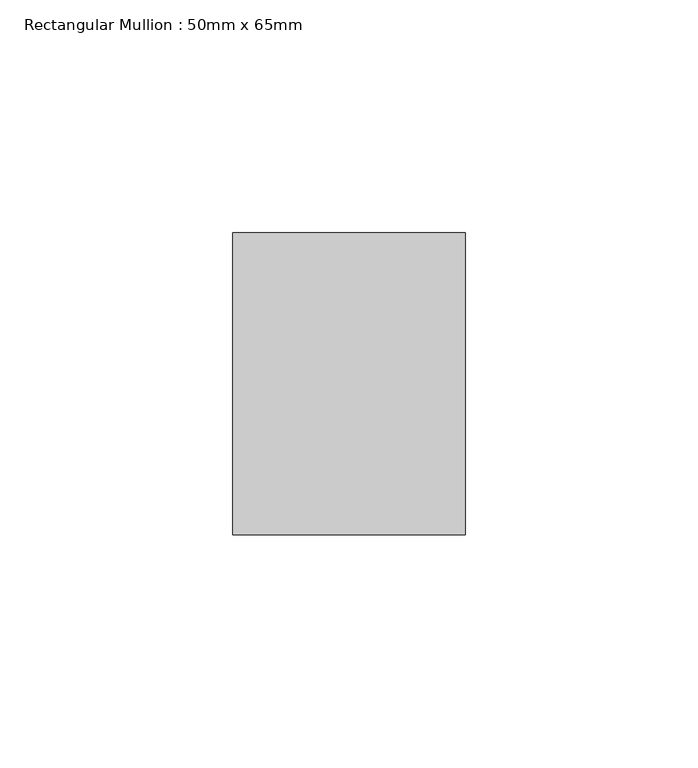
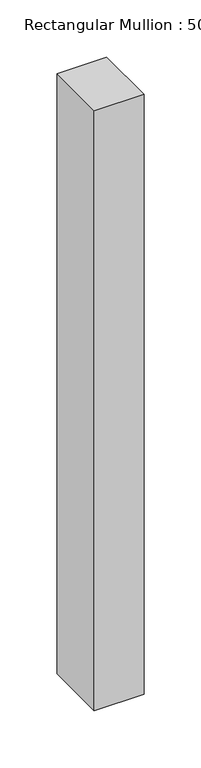
"""IFC4 building model written with IfcOpenShell, lengths in millimetres: member geometry, Rectangular Mullion : 50mm x 65mm."""

from ifc_helpers import new_model, si_unit, frame, origin, place, context, project, spatial, polyline, outline, extrude, source, transform, mapped, element, save


def rectangular_mullion_50mm_x_65mm_cb0090a1(model_context):
    return source(origin(), model_context, "Body", "SweptSolid", [
        extrude(outline(polyline([(25.0, 32.5), (25.0, -32.5), (-25.0, -32.5), (-25.0, 32.5), (25.0, 32.5)])), frame((0.0, 0.0, -639.7125931), z_axis=(0.0, 0.0, 1.0), x_axis=(1.0, 0.0, 0.0)), (0.0, 0.0, 1.0), 639.7125931),
    ])


if __name__ == "__main__":
    model = new_model("IFC4")
    model_context = context("Model", 3, world=origin())
    ifc_project = project(units=[si_unit("LENGTHUNIT", "METRE", prefix="MILLI")], contexts=[model_context])
    site = spatial("IfcSite", under=ifc_project)
    building = spatial("IfcBuilding", under=site)
    placement = place(None, origin())
    rectangular_mullion_50mm_x_65mm_shape = rectangular_mullion_50mm_x_65mm_cb0090a1(model_context)
    element("IfcMember", 1, ObjectType="Rectangular Mullion : 50mm x 65mm", at=placement, inside=building, context=model_context, shape_type="MappedRepresentation", body=[
        mapped(rectangular_mullion_50mm_x_65mm_shape, transform((0.0, 0.0, 0.0), x_axis=(1.0, 0.0, 0.0), y_axis=(0.0, 1.0, 0.0), z_axis=(0.0, 0.0, 1.0))),
    ])
    save(model, "model.ifc")
